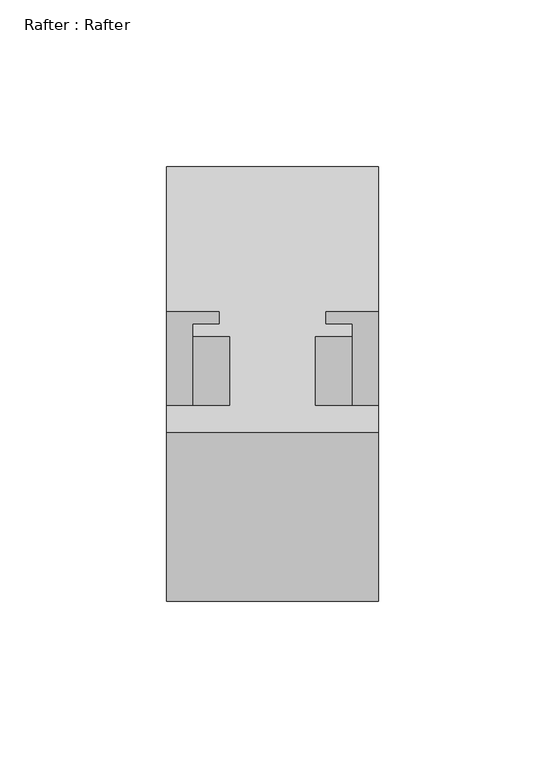
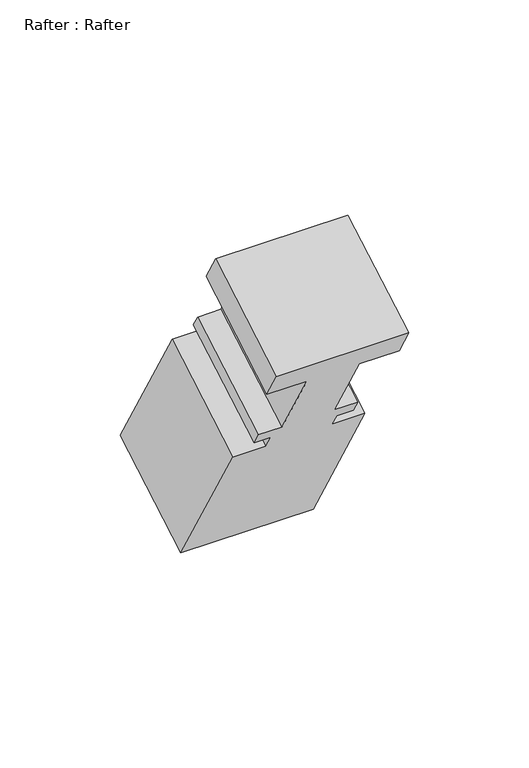
"""IFC4 building model written with IfcOpenShell, lengths in millimetres: proxy geometry, Rafter : Rafter."""

from ifc_helpers import new_model, si_unit, frame, origin, place, context, project, spatial, polyline, outline, extrude, source, transform, mapped, element, save


def rafter_rafter_caac4b9a(model_context):
    return source(origin(), model_context, "Body", "SweptSolid", [
        extrude(outline(polyline([(0.0, 0.0), (0.0, -63.5), (-15.8902734, -63.5), (-15.8902734, -44.45), (-57.531, -44.45), (-57.531, -55.5752), (-64.6938, -55.5752), (-64.6938, -47.625), (-72.5932001, -47.625), (-72.5932001, -63.5), (-159.1310001, -63.5), (-159.1310001, 0.0), (-72.5932001, 0.0), (-72.5932001, -15.875), (-64.6938, -15.875), (-64.6938, -7.9248), (-57.531, -7.9248), (-57.531, -19.05), (-15.8691296, -19.05), (-15.8691296, 0.0), (0.0, 0.0)])), frame((11092.6526877, -20356.6901613, 1263.2536414), z_axis=(0.0, 0.8660254037844398, 0.49999999999999806), x_axis=(0.0, -0.49999999999999806, 0.8660254037844398)), (0.0, 0.0, 1.0), 58.4547221),
    ])


if __name__ == "__main__":
    model = new_model("IFC4")
    model_context = context("Model", 3, world=origin())
    ifc_project = project(units=[si_unit("LENGTHUNIT", "METRE", prefix="MILLI")], contexts=[model_context])
    site = spatial("IfcSite", under=ifc_project)
    building = spatial("IfcBuilding", under=site)
    placement = place(None, origin())
    rafter_rafter_shape = rafter_rafter_caac4b9a(model_context)
    element("IfcBuildingElementProxy", 1, Name="Rafter : Rafter", ObjectType="Rafter : Rafter", at=placement, inside=building, context=model_context, shape_type="MappedRepresentation", body=[
        mapped(rafter_rafter_shape, transform((0.0, 0.0, 0.0), x_axis=(1.0, 0.0, 0.0), y_axis=(0.0, 1.0, 0.0), z_axis=(0.0, 0.0, 1.0))),
    ])
    save(model, "model.ifc")
